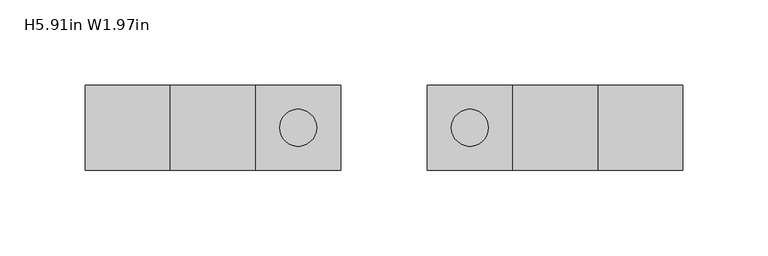
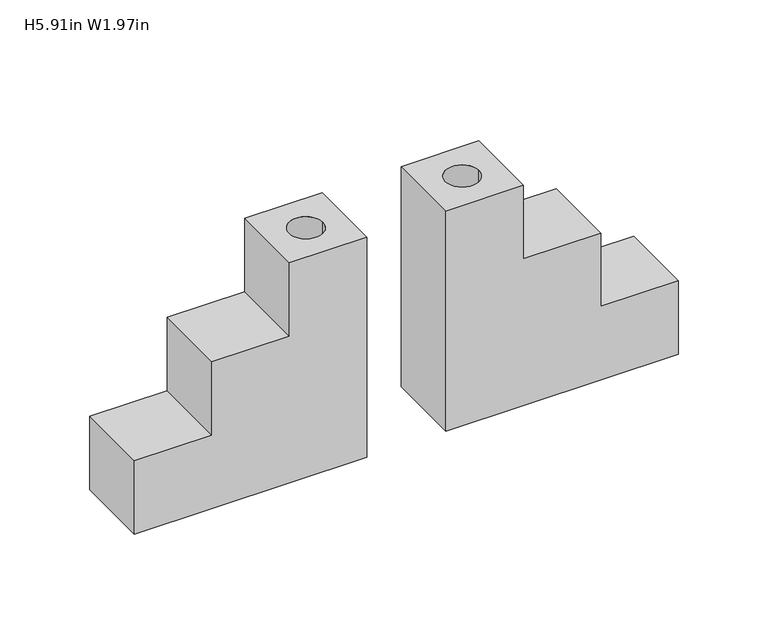
"""IFC4 building model written with IfcOpenShell, lengths in millimetres: furniture geometry, H5.91in W1.97in."""

from ifc_helpers import new_model, si_unit, frame, origin, place, context, project, spatial, polyline, circle_curve, source, transform, mapped, element, save
from ifc_brep_helpers import plane_surface, revolved_surface, advanced_brep


def h5_91in_w1_97in_9c111683(model_context):
    return source(origin(), model_context, "Body", "AdvancedBrep", [
        advanced_brep(
        [(25.4, -25.0000002, 723.9), (175.3999148, -25.0000002, 723.9), (175.3999148, -25.0000002, 773.9000004), (125.3997055, -25.0000002, 773.9000004), (125.3997055, -25.0000002, 823.9000008), (75.4000049, -25.0000002, 823.9000008), (75.4000049, -25.0000002, 873.9000011), (25.4, -25.0000002, 873.9000011), (25.4, 25.0000002, 723.9), (25.4, 25.0000002, 873.9000011), (75.4000049, 25.0000002, 873.9000011), (75.4000049, 25.0000002, 823.9000008), (125.3997055, 25.0000002, 823.9000008), (125.3997055, 25.0000002, 773.9000004), (175.3999148, 25.0000002, 773.9000004), (175.3999148, 25.0000002, 723.9), (61.1957996, 0.0, 873.9000011), (39.6057996, 0.0, 873.9000011), (39.6057996, 0.0, 844.2099983), (61.1957996, 0.0, 844.2099983)],
        [
            (0, 1),
            (1, 2),
            (2, 3),
            (3, 4),
            (4, 5),
            (5, 6),
            (6, 7),
            (7, 0),
            (8, 9),
            (9, 10),
            (10, 11),
            (11, 12),
            (12, 13),
            (13, 14),
            (14, 15),
            (15, 8),
            (7, 9),
            (8, 0),
            (6, 10),
            (16, 17, circle_curve(frame((50.4007996, 0.0, 873.9000011), z_axis=(0.0, 0.0, -1.0), x_axis=(1.0, 0.0, 0.0)), 10.795)),
            (17, 16, circle_curve(frame((50.4007996, 0.0, 873.9000011), z_axis=(0.0, 0.0, -1.0), x_axis=(1.0, 0.0, 0.0)), 10.795)),
            (5, 11),
            (4, 12),
            (3, 13),
            (2, 14),
            (1, 15),
            (18, 19, circle_curve(frame((50.4007996, 0.0, 844.2099983), z_axis=(0.0, 0.0, 1.0), x_axis=(1.0, 0.0, 0.0)), 10.795)),
            (19, 18, circle_curve(frame((50.4007996, 0.0, 844.2099983), z_axis=(0.0, 0.0, 1.0), x_axis=(1.0, 0.0, 0.0)), 10.795)),
            (18, 17),
            (16, 19),
        ],
        [
            plane_surface(frame((175.3999148, -25.0000002, 723.9), z_axis=(0.0, -1.0, 0.0), x_axis=(1.0, 0.0, 0.0))),
            plane_surface(frame((175.3999148, 25.0000002, 723.9), z_axis=(0.0, 1.0, 0.0), x_axis=(-1.0, 0.0, 0.0))),
            plane_surface(frame((25.4, -25.0000002, 873.9000011), z_axis=(-1.0, 0.0, 0.0), x_axis=(0.0, 1.0, 0.0))),
            plane_surface(frame((75.4000049, -25.0000002, 873.9000011), z_axis=(0.0, 0.0, 1.0), x_axis=(0.0, 1.0, 0.0))),
            plane_surface(frame((75.4000049, -25.0000002, 823.9000008), z_axis=(1.0, 0.0, 0.0), x_axis=(0.0, 1.0, 0.0))),
            plane_surface(frame((125.3997055, -25.0000002, 823.9000008), z_axis=(0.0, 0.0, 1.0), x_axis=(0.0, 1.0, 0.0))),
            plane_surface(frame((125.3997055, -25.0000002, 773.9000004), z_axis=(1.0, 0.0, 0.0), x_axis=(0.0, 1.0, 0.0))),
            plane_surface(frame((175.3999148, -25.0000002, 773.9000004), z_axis=(0.0, 0.0, 1.0), x_axis=(0.0, 1.0, 0.0))),
            plane_surface(frame((175.3999148, -25.0000002, 723.9), z_axis=(1.0, 0.0, 0.0), x_axis=(0.0, 1.0, 0.0))),
            plane_surface(frame((25.4, -25.0000002, 723.9), z_axis=(0.0, 0.0, -1.0), x_axis=(0.0, 1.0, 0.0))),
            plane_surface(frame((-39.6057996, 0.0, 844.2099983), z_axis=(0.0, 0.0, 1.0), x_axis=(0.0, -1.0, 0.0))),
            revolved_surface(polyline([(61.1957996, 0.0, 873.9000011), (61.1957996, 0.0, 844.2099983)]), (50.4007996, 0.0, 0.0), (0.0, 0.0, 1.0)),
        ],
        [
            (0, [[1, 2, 3, 4, 5, 6, 7, 8]]),
            (1, [[9, 10, 11, 12, 13, 14, 15, 16]]),
            (2, [[-8, 17, -9, 18]]),
            (3, [[-7, 19, -10, -17], [20, 21]]),
            (4, [[-6, 22, -11, -19]]),
            (5, [[-5, 23, -12, -22]]),
            (6, [[-4, 24, -13, -23]]),
            (7, [[-3, 25, -14, -24]]),
            (8, [[-2, 26, -15, -25]]),
            (9, [[-1, -18, -16, -26]]),
            (10, [[27, 28]]),
            (11, [[-27, 29, -20, 30]]),
            (11, [[-28, -30, -21, -29]]),
        ],
    ),
        advanced_brep(
        [(-25.4, -25.0000002, 723.9), (-25.4, -25.0000002, 873.9000011), (-75.4000049, -25.0000002, 873.9000011), (-75.4000049, -25.0000002, 823.9000008), (-125.3997055, -25.0000002, 823.9000008), (-125.3997055, -25.0000002, 773.9000004), (-175.3999148, -25.0000002, 773.9000004), (-175.3999148, -25.0000002, 723.9), (-25.4, 25.0000002, 723.9), (-175.3999148, 25.0000002, 723.9), (-175.3999148, 25.0000002, 773.9000004), (-125.3997055, 25.0000002, 773.9000004), (-125.3997055, 25.0000002, 823.9000008), (-75.4000049, 25.0000002, 823.9000008), (-75.4000049, 25.0000002, 873.9000011), (-25.4, 25.0000002, 873.9000011), (-39.6057996, 0.0, 873.9000011), (-61.1957996, 0.0, 873.9000011), (-61.1957996, 0.0, 844.2099983), (-39.6057996, 0.0, 844.2099983)],
        [
            (0, 1),
            (1, 2),
            (2, 3),
            (3, 4),
            (4, 5),
            (5, 6),
            (6, 7),
            (7, 0),
            (8, 9),
            (9, 10),
            (10, 11),
            (11, 12),
            (12, 13),
            (13, 14),
            (14, 15),
            (15, 8),
            (0, 8),
            (15, 1),
            (14, 2),
            (16, 17, circle_curve(frame((-50.4007996, 0.0, 873.9000011), z_axis=(0.0, 0.0, -1.0), x_axis=(1.0, 0.0, 0.0)), 10.795)),
            (17, 16, circle_curve(frame((-50.4007996, 0.0, 873.9000011), z_axis=(0.0, 0.0, -1.0), x_axis=(1.0, 0.0, 0.0)), 10.795)),
            (13, 3),
            (12, 4),
            (11, 5),
            (10, 6),
            (9, 7),
            (18, 19, circle_curve(frame((-50.4007996, 0.0, 844.2099983), z_axis=(0.0, 0.0, 1.0), x_axis=(1.0, 0.0, 0.0)), 10.795)),
            (19, 18, circle_curve(frame((-50.4007996, 0.0, 844.2099983), z_axis=(0.0, 0.0, 1.0), x_axis=(1.0, 0.0, 0.0)), 10.795)),
            (18, 17),
            (16, 19),
        ],
        [
            plane_surface(frame((-25.4, -25.0000002, 873.9000011), z_axis=(0.0, -1.0, 0.0), x_axis=(0.0, 0.0, 1.0))),
            plane_surface(frame((-25.4, 25.0000002, 873.9000011), z_axis=(0.0, 1.0, 0.0), x_axis=(0.0, 0.0, -1.0))),
            plane_surface(frame((-25.4, -25.0000002, 723.9), z_axis=(1.0, 0.0, 0.0), x_axis=(0.0, 1.0, 0.0))),
            plane_surface(frame((-25.4, -25.0000002, 873.9000011), z_axis=(0.0, 0.0, 1.0), x_axis=(0.0, 1.0, 0.0))),
            plane_surface(frame((-75.4000049, -25.0000002, 873.9000011), z_axis=(-1.0, 0.0, 0.0), x_axis=(0.0, 1.0, 0.0))),
            plane_surface(frame((-75.4000049, -25.0000002, 823.9000008), z_axis=(0.0, 0.0, 1.0), x_axis=(0.0, 1.0, 0.0))),
            plane_surface(frame((-125.3997055, -25.0000002, 823.9000008), z_axis=(-1.0, 0.0, 0.0), x_axis=(0.0, 1.0, 0.0))),
            plane_surface(frame((-125.3997055, -25.0000002, 773.9000004), z_axis=(0.0, 0.0, 1.0), x_axis=(0.0, 1.0, 0.0))),
            plane_surface(frame((-175.3999148, -25.0000002, 773.9000004), z_axis=(-1.0, 0.0, 0.0), x_axis=(0.0, 1.0, 0.0))),
            plane_surface(frame((-175.3999148, -25.0000002, 723.9), z_axis=(0.0, 0.0, -1.0), x_axis=(0.0, 1.0, 0.0))),
            plane_surface(frame((-39.6057996, 0.0, 844.2099983), z_axis=(0.0, 0.0, 1.0), x_axis=(0.0, -1.0, 0.0))),
            revolved_surface(polyline([(-39.6057996, 0.0, 873.9000011), (-39.6057996, 0.0, 844.2099983)]), (-50.4007996, 0.0, 844.2099983), (0.0, 0.0, 1.0)),
        ],
        [
            (0, [[1, 2, 3, 4, 5, 6, 7, 8]]),
            (1, [[9, 10, 11, 12, 13, 14, 15, 16]]),
            (2, [[-1, 17, -16, 18]]),
            (3, [[-2, -18, -15, 19], [20, 21]]),
            (4, [[-3, -19, -14, 22]]),
            (5, [[-4, -22, -13, 23]]),
            (6, [[-5, -23, -12, 24]]),
            (7, [[-6, -24, -11, 25]]),
            (8, [[-7, -25, -10, 26]]),
            (9, [[-8, -26, -9, -17]]),
            (10, [[27, 28]]),
            (11, [[-27, 29, -20, 30]]),
            (11, [[-28, -30, -21, -29]]),
        ],
    ),
    ])


if __name__ == "__main__":
    model = new_model("IFC4")
    model_context = context("Model", 3, world=origin())
    ifc_project = project(units=[si_unit("LENGTHUNIT", "METRE", prefix="MILLI")], contexts=[model_context])
    site = spatial("IfcSite", under=ifc_project)
    building = spatial("IfcBuilding", under=site)
    placement = place(None, origin())
    h5_91in_w1_97in_shape = h5_91in_w1_97in_9c111683(model_context)
    element("IfcFurniture", 1, ObjectType="H5.91in W1.97in", at=placement, inside=building, context=model_context, shape_type="MappedRepresentation", body=[
        mapped(h5_91in_w1_97in_shape, transform((0.0, 0.0, 0.0), x_axis=(1.0, 0.0, 0.0), y_axis=(0.0, 1.0, 0.0), z_axis=(0.0, 0.0, 1.0))),
    ])
    save(model, "model.ifc")
